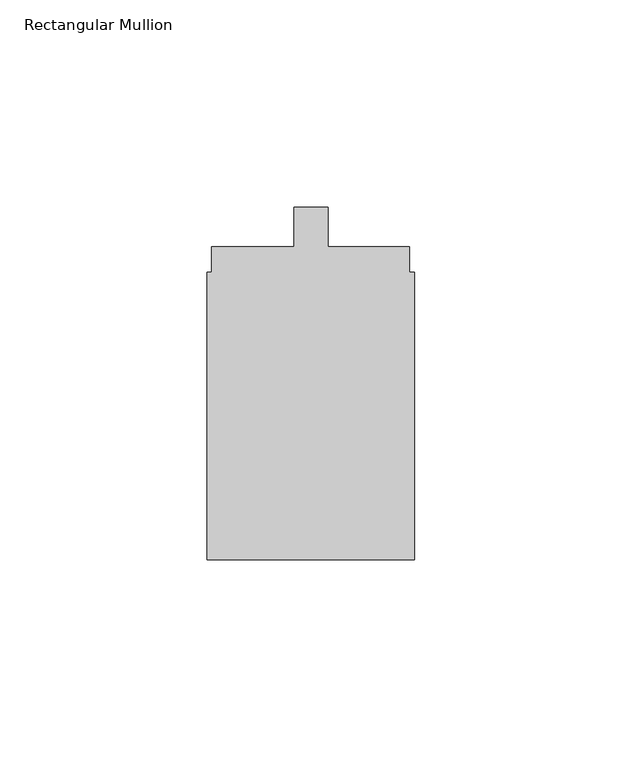
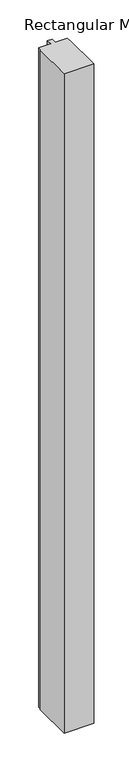
"""IFC4 building model written with IfcOpenShell, lengths in millimetres: member geometry, Rectangular Mullion."""

import ifcopenshell
import ifcopenshell.guid

model = None  # the IFC model being written
_history = None  # IfcOwnerHistory: only IFC2X3 demands one
_inside = {}  # id of a spatial element -> (the spatial element, [elements in it])
_under = {}  # id of a project, library or spatial element -> (it, [spatial elements below it])
_declared = {}  # id of a project -> (the project, [libraries it declares])
_typed = {}  # id of a type object -> (the type object, [elements of that type])
_made_of = {}  # id of a material, layer set ... -> (it, [elements and type objects made of it])


def new_model(schema):
    """Start an empty IFC model of exactly this schema.

    Asked for "IFC4X3", IfcOpenShell would pick the latest addendum, in which some entities
    have other attributes; the version numbers below select the first issue.
    IFC2X3 requires an IfcOwnerHistory on every rooted entity: one is made here for all.
    """
    global model, _history
    if schema == "IFC4X3":
        model = ifcopenshell.file(schema_version=(4, 3, 0, 0))
    else:
        model = ifcopenshell.file(schema=schema)
    _inside.clear()
    _under.clear()
    _declared.clear()
    _typed.clear()
    _made_of.clear()
    _history = None
    if model.schema == "IFC2X3":
        org = make("IfcOrganization", Name="unknown")
        user = make(
            "IfcPersonAndOrganization",
            ThePerson=make("IfcPerson", FamilyName="unknown"),
            TheOrganization=org,
        )
        app = make(
            "IfcApplication",
            ApplicationDeveloper=org,
            Version="unknown",
            ApplicationFullName="unknown",
            ApplicationIdentifier="unknown",
        )
        _history = make(
            "IfcOwnerHistory",
            OwningUser=user,
            OwningApplication=app,
            ChangeAction="ADDED",
            CreationDate=0,
        )
    return model


def make(cls, **values):
    """One entity of the class cls with the attributes given. An attribute that is None is left unset."""
    return model.create_entity(
        cls, **{name: value for name, value in values.items() if value is not None}
    )


def rooted(cls, **values):
    """An entity with a GlobalId (a new one), such as an element, a storey or a relation."""
    return make(cls, GlobalId=ifcopenshell.guid.new(), OwnerHistory=_history, **values)


def si_unit(unit_type, name, prefix=None):
    """IfcSIUnit, for example si_unit("LENGTHUNIT", "METRE", prefix="MILLI")."""
    return make("IfcSIUnit", UnitType=unit_type, Prefix=prefix, Name=name)


def assignment(units):
    """IfcUnitAssignment: the units of a project."""
    return None if units is None else make("IfcUnitAssignment", Units=units)


def point(xyz):
    """IfcCartesianPoint."""
    return None if xyz is None else make("IfcCartesianPoint", Coordinates=xyz)


def direction(xyz):
    """IfcDirection."""
    return None if xyz is None else make("IfcDirection", DirectionRatios=xyz)


def frame(location, z_axis=None, x_axis=None):
    """IfcAxis2Placement3D, a coordinate frame: its origin and axes. An axis left out is left unset."""
    return make(
        "IfcAxis2Placement3D",
        Location=point(location),
        Axis=direction(z_axis),
        RefDirection=direction(x_axis),
    )


def origin():
    """The frame at (0, 0, 0) with its axes left unset."""
    return frame((0.0, 0.0, 0.0))


def place(relative_to, where):
    """IfcLocalPlacement: puts the frame where relative to a parent placement (None: the world)."""
    return make(
        "IfcLocalPlacement", PlacementRelTo=relative_to, RelativePlacement=where
    )


def context(
    kind, dimensions, precision=None, world=None, true_north=None, identifier=None
):
    """IfcGeometricRepresentationContext, for example the 3D "Model" context."""
    return make(
        "IfcGeometricRepresentationContext",
        ContextIdentifier=identifier,
        ContextType=kind,
        CoordinateSpaceDimension=dimensions,
        Precision=precision,
        WorldCoordinateSystem=world,
        TrueNorth=true_north,
    )


def project(units=None, contexts=None):
    """IfcProject with its units and contexts."""
    return rooted(
        "IfcProject",
        Name="project",
        RepresentationContexts=contexts,
        UnitsInContext=assignment(units),
    )


def spatial(cls, under=None, at=None, **own):
    """A site, building, storey or space (cls), placed at a placement, below another one or the project."""
    s = rooted(cls, ObjectPlacement=at, **own)
    if under is not None:
        _under.setdefault(under.id(), (under, []))[1].append(s)
    return s


def polyline(points):
    """IfcPolyline through the points."""
    return make("IfcPolyline", Points=[point(p) for p in points])


def outline(outer, holes=None, kind="AREA"):
    """IfcArbitraryClosedProfileDef: a profile drawn as a closed curve; with holes, ...WithVoids."""
    if holes is None:
        return make("IfcArbitraryClosedProfileDef", ProfileType=kind, OuterCurve=outer)
    return make(
        "IfcArbitraryProfileDefWithVoids",
        ProfileType=kind,
        OuterCurve=outer,
        InnerCurves=holes,
    )


def extrude(swept, where, along, depth):
    """IfcExtrudedAreaSolid: the profile swept, set in the frame where, extruded along a direction by depth."""
    return make(
        "IfcExtrudedAreaSolid",
        SweptArea=swept,
        Position=where,
        ExtrudedDirection=direction(along),
        Depth=depth,
    )


def shape(context_of_items, identifier, shape_type, items):
    """IfcShapeRepresentation: the items that make up one representation, for example the "Body"."""
    return make(
        "IfcShapeRepresentation",
        ContextOfItems=context_of_items,
        RepresentationIdentifier=identifier,
        RepresentationType=shape_type,
        Items=items,
    )


def source(mapping_origin, context_of_items, identifier, shape_type, items):
    """IfcRepresentationMap: a shape defined once, which mapped items show again and again."""
    return make(
        "IfcRepresentationMap",
        MappingOrigin=mapping_origin,
        MappedRepresentation=shape(context_of_items, identifier, shape_type, items),
    )


def transform(
    local_origin,
    x_axis=None,
    y_axis=None,
    z_axis=None,
    scale=None,
    scale2=None,
    scale3=None,
    uniform=True,
):
    """IfcCartesianTransformationOperator3D, or its non-uniform kind. x_axis, y_axis, z_axis: its Axis1, 2, 3."""
    if uniform:
        return make(
            "IfcCartesianTransformationOperator3D",
            Axis1=direction(x_axis),
            Axis2=direction(y_axis),
            LocalOrigin=point(local_origin),
            Scale=scale,
            Axis3=direction(z_axis),
        )
    return make(
        "IfcCartesianTransformationOperator3DnonUniform",
        Axis1=direction(x_axis),
        Axis2=direction(y_axis),
        LocalOrigin=point(local_origin),
        Scale=scale,
        Axis3=direction(z_axis),
        Scale2=scale2,
        Scale3=scale3,
    )


def mapped(mapping_source, mapping_target):
    """IfcMappedItem: shows the shape of a source again, moved by a transform."""
    return make(
        "IfcMappedItem", MappingSource=mapping_source, MappingTarget=mapping_target
    )


def made_of(thing, what):
    """Note that an element or type object is made of a material, layer set ...; save() writes the relation."""
    if what is not None:
        _made_of.setdefault(what.id(), (what, []))[1].append(thing)
    return thing


def element(
    cls,
    number,
    at=None,
    inside=None,
    cuts=None,
    type_object=None,
    material=None,
    context=None,
    identifier="Body",
    shape_type=None,
    held_by="IfcProductDefinitionShape",
    body=None,
    shapes=None,
    **own,
):
    """One element of the class cls, such as IfcWall. Its Tag is "e" and its number.

    at: its placement. inside: the storey or other place that contains it. cuts: it is an
    opening in that element (IfcRelVoidsElement). A single representation is given by context,
    identifier, shape_type and body (its items); several are given by shapes. held_by: the class
    of the entity that holds the representations. save() writes the other relations.
    """
    e = rooted(cls, Tag="e%d" % number, ObjectPlacement=at, **own)
    if body is not None:
        shapes = [shape(context, identifier, shape_type, body)]
    if shapes is not None:
        e.Representation = make(held_by, Representations=shapes)
    if inside is not None:
        _inside.setdefault(inside.id(), (inside, []))[1].append(e)
    if cuts is not None:
        rooted(
            "IfcRelVoidsElement", RelatingBuildingElement=cuts, RelatedOpeningElement=e
        )
    if type_object is not None:
        _typed.setdefault(type_object.id(), (type_object, []))[1].append(e)
    return made_of(e, material)


def aggregate(whole, parts):
    """IfcRelAggregates: a whole, such as a stair, and the parts it consists of."""
    return rooted("IfcRelAggregates", RelatingObject=whole, RelatedObjects=parts)


def save(model, path):
    """Write the relations noted so far, then the file.

    IfcRelAggregates (storeys below a building ...), IfcRelContainedInSpatialStructure (elements
    in a storey), IfcRelDefinesByType, IfcRelAssociatesMaterial and IfcRelDeclares: one each for
    every whole, place, type object, material and project.
    """
    for whole, parts in _under.values():
        aggregate(whole, parts)
    for where, things in _inside.values():
        rooted(
            "IfcRelContainedInSpatialStructure",
            RelatedElements=things,
            RelatingStructure=where,
        )
    for kind, things in _typed.values():
        rooted("IfcRelDefinesByType", RelatedObjects=things, RelatingType=kind)
    for what, things in _made_of.values():
        rooted("IfcRelAssociatesMaterial", RelatedObjects=things, RelatingMaterial=what)
    for by, libraries in _declared.values():
        rooted("IfcRelDeclares", RelatingContext=by, RelatedDefinitions=libraries)
    model.write(path)


def rectangular_mullion_aa75e465(model_context):
    return source(origin(), model_context, "Body", "SweptSolid", [
        extrude(outline(polyline([(25.0, -101.3), (-25.0, -101.3), (-25.0, -32.0), (-23.9, -32.0), (-23.9, -25.8), (-4.1, -25.8), (-4.1, -16.3), (4.1, -16.3), (4.1, -25.8), (23.8217337, -25.8), (23.8217337, -32.0), (25.0, -32.0), (25.0, -101.3)])), frame((0.0, 0.0, -1175.0), z_axis=(0.0, 0.0, 1.0), x_axis=(1.0, 0.0, 0.0)), (0.0, 0.0, 1.0), 1175.0),
    ])


if __name__ == "__main__":
    model = new_model("IFC4")
    model_context = context("Model", 3, world=origin())
    ifc_project = project(units=[si_unit("LENGTHUNIT", "METRE", prefix="MILLI")], contexts=[model_context])
    site = spatial("IfcSite", under=ifc_project)
    building = spatial("IfcBuilding", under=site)
    placement = place(None, origin())
    rectangular_mullion_shape = rectangular_mullion_aa75e465(model_context)
    element("IfcMember", 1, ObjectType="Rectangular Mullion", at=placement, inside=building, context=model_context, shape_type="MappedRepresentation", body=[
        mapped(rectangular_mullion_shape, transform((0.0, 0.0, 0.0), x_axis=(1.0, 0.0, 0.0), y_axis=(0.0, 1.0, 0.0), z_axis=(0.0, 0.0, 1.0))),
    ])
    save(model, "model.ifc")
